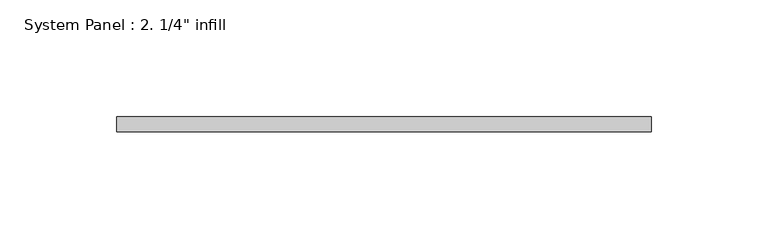
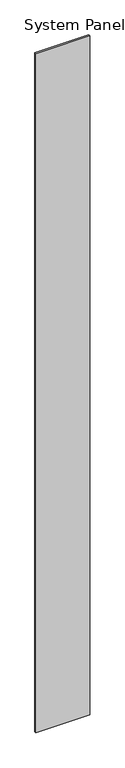
"""IFC4 building model written with IfcOpenShell, lengths in millimetres: plate geometry."""

from ifc_helpers import new_model, si_unit, origin, origin_with_axes, place, context, project, spatial, polyline, outline, extrude, source, transform, mapped, element, save


def plate_629800e9(model_context):
    return source(origin(), model_context, "Body", "SweptSolid", [
        extrude(outline(polyline([(114.3, 0.0), (-114.3, 0.0), (-114.3, 6.35), (114.3, 6.35), (114.3, 0.0)])), origin_with_axes(), (0.0, 0.0, 1.0), 3048.0),
    ])


if __name__ == "__main__":
    model = new_model("IFC4")
    model_context = context("Model", 3, world=origin())
    ifc_project = project(units=[si_unit("LENGTHUNIT", "METRE", prefix="MILLI")], contexts=[model_context])
    site = spatial("IfcSite", under=ifc_project)
    building = spatial("IfcBuilding", under=site)
    placement = place(None, origin())
    plate_shape = plate_629800e9(model_context)
    element("IfcPlate", 1, ObjectType="System Panel : 2. 1/4\" infill", at=placement, inside=building, context=model_context, shape_type="MappedRepresentation", body=[
        mapped(plate_shape, transform((0.0, 0.0, 0.0), x_axis=(1.0, 0.0, 0.0), y_axis=(0.0, 1.0, 0.0), z_axis=(0.0, 0.0, 1.0))),
    ])
    save(model, "model.ifc")
